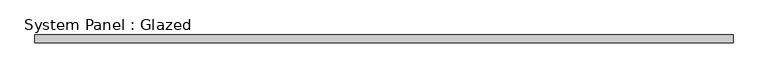
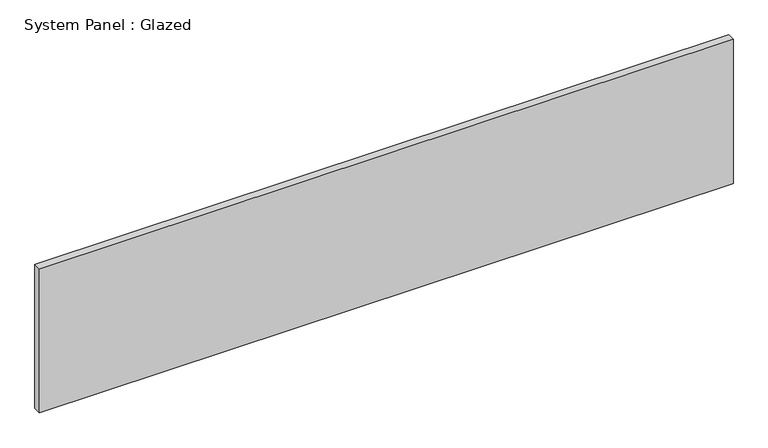
"""IFC4 building model written with IfcOpenShell, lengths in millimetres: plate geometry, System Panel : Glazed."""

from ifc_helpers import new_model, si_unit, origin, origin_with_axes, place, context, project, spatial, polyline, outline, extrude, source, transform, mapped, element, save


def system_panel_glazed_48de1dd8(model_context):
    return source(origin(), model_context, "Body", "SweptSolid", [
        extrude(outline(polyline([(1136.8739148, -49.5), (-1136.8739148, -49.5), (-1136.8739148, -24.5), (1136.8739148, -24.5), (1136.8739148, -49.5)])), origin_with_axes(), (0.0, 0.0, 1.0), 500.0),
    ])


if __name__ == "__main__":
    model = new_model("IFC4")
    model_context = context("Model", 3, world=origin())
    ifc_project = project(units=[si_unit("LENGTHUNIT", "METRE", prefix="MILLI")], contexts=[model_context])
    site = spatial("IfcSite", under=ifc_project)
    building = spatial("IfcBuilding", under=site)
    placement = place(None, origin())
    system_panel_glazed_shape = system_panel_glazed_48de1dd8(model_context)
    element("IfcPlate", 1, ObjectType="System Panel : Glazed", at=placement, inside=building, context=model_context, shape_type="MappedRepresentation", body=[
        mapped(system_panel_glazed_shape, transform((0.0, 0.0, 0.0), x_axis=(1.0, 0.0, 0.0), y_axis=(0.0, 1.0, 0.0), z_axis=(0.0, 0.0, 1.0))),
    ])
    save(model, "model.ifc")
